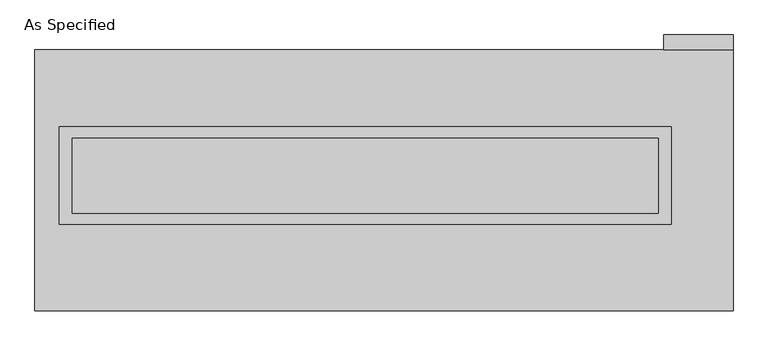
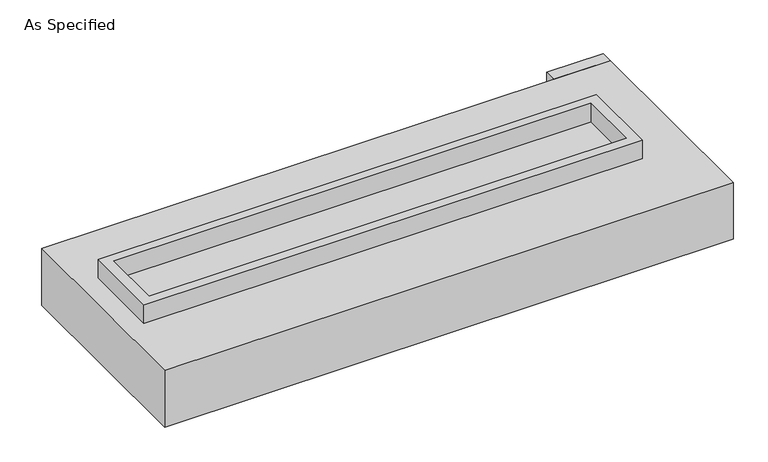
"""IFC4 building model written with IfcOpenShell, lengths in millimetres: proxy geometry, As Specified."""

from ifc_helpers import new_model, si_unit, frame, origin, place, context, project, spatial, polyline, outline, extrude, faceted_brep, source, transform, mapped, element, save


def as_specified_d3326594(model_context):
    return source(origin(), model_context, "Body", "SolidModel", [
        extrude(outline(polyline([(2070.1, 361.95), (2070.1, -298.45), (-2070.1, -298.45), (-2070.1, 361.95), (2070.1, 361.95)]), holes=[polyline([(1981.2, 285.75), (-1981.2, 285.75), (-1981.2, -222.25), (1981.2, -222.25), (1981.2, 285.75)])]), frame((0.0, 0.0, -25.4), z_axis=(0.0, 0.0, 1.0), x_axis=(1.0, 0.0, 0.0)), (0.0, 0.0, 1.0), 165.1),
        extrude(outline(polyline([(2019.3, 882.65), (2019.3, 984.25), (2489.2, 984.25), (2489.2, 882.65), (2019.3, 882.65)])), frame((0.0, 0.0, -523.875), z_axis=(0.0, 0.0, 1.0), x_axis=(1.0, 0.0, 0.0)), (0.0, 0.0, 1.0), 498.475),
        extrude(outline(polyline([(1981.2, 285.75), (1981.2, -222.25), (-1981.2, -222.25), (-1981.2, 285.75), (1981.2, 285.75)])), frame((0.0, 0.0, -30.3609375), z_axis=(0.0, 0.0, 1.0), x_axis=(1.0, 0.0, 0.0)), (0.0, 0.0, 1.0), 4.9609375),
        faceted_brep([(2489.2, -882.65, -523.875), (-2235.2, -882.65, -523.875), (-2235.2, 882.65, -523.875), (2489.2, 882.65, -523.875), (2489.2, 882.65, -25.4), (-2235.2, 882.65, -25.4), (-2235.2, -882.65, -25.4), (2489.2, -882.65, -25.4), (2070.1, 361.95, -25.4), (2070.1, -298.45, -25.4), (-2070.1, -298.45, -25.4), (-2070.1, 361.95, -25.4), (2070.1, 361.95, -498.475), (-2070.1, 361.95, -498.475), (-2070.1, -298.45, -498.475), (2070.1, -298.45, -498.475)], [[[0, 1, 2, 3]], [[4, 5, 6, 7], [8, 9, 10, 11]], [[3, 2, 5, 4]], [[2, 1, 6, 5]], [[0, 3, 4, 7]], [[12, 13, 14, 15]], [[14, 13, 11, 10]], [[13, 12, 8, 11]], [[12, 15, 9, 8]], [[10, 9, 15, 14]], [[1, 0, 7, 6]]]),
    ])


if __name__ == "__main__":
    model = new_model("IFC4")
    model_context = context("Model", 3, world=origin())
    ifc_project = project(units=[si_unit("LENGTHUNIT", "METRE", prefix="MILLI")], contexts=[model_context])
    site = spatial("IfcSite", under=ifc_project)
    building = spatial("IfcBuilding", under=site)
    placement = place(None, origin())
    as_specified_shape = as_specified_d3326594(model_context)
    element("IfcBuildingElementProxy", 1, Name="As Specified", ObjectType="As Specified", at=placement, inside=building, context=model_context, shape_type="MappedRepresentation", body=[
        mapped(as_specified_shape, transform((0.0, 0.0, 0.0), x_axis=(1.0, 0.0, 0.0), y_axis=(0.0, 1.0, 0.0), z_axis=(0.0, 0.0, 1.0))),
    ])
    save(model, "model.ifc")
